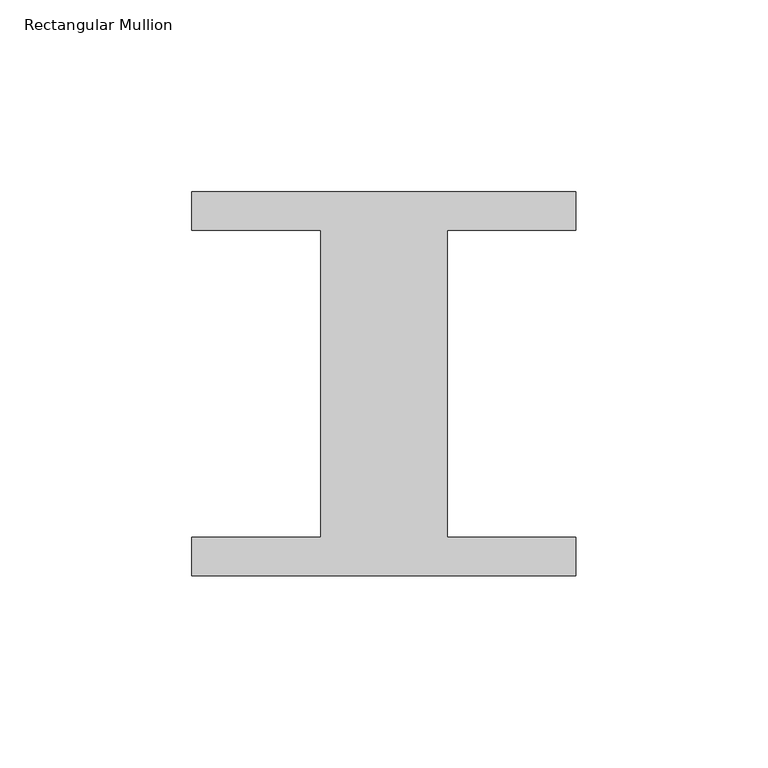
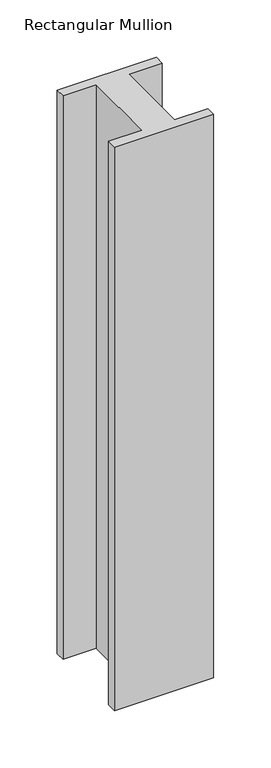
"""IFC4 building model written with IfcOpenShell, lengths in millimetres: member geometry, Rectangular Mullion."""

from ifc_helpers import new_model, si_unit, frame, origin, place, context, project, spatial, polyline, outline, extrude, source, transform, mapped, element, save


def rectangular_mullion_7d4d0a0d(model_context):
    return source(origin(), model_context, "Body", "SweptSolid", [
        extrude(outline(polyline([(-50.0, 50.0), (50.0, 50.0), (50.0, 40.0), (16.4715162, 40.0), (16.4715162, -40.0), (50.0, -40.0), (50.0, -50.0), (-50.0, -50.0), (-50.0, -40.0), (-16.4505098, -40.0), (-16.4505098, 40.0), (-50.0, 40.0), (-50.0, 50.0)])), frame((0.0, 0.0, -600.0), z_axis=(0.0, 0.0, 1.0), x_axis=(1.0, 0.0, 0.0)), (0.0, 0.0, 1.0), 600.0),
    ])


if __name__ == "__main__":
    model = new_model("IFC4")
    model_context = context("Model", 3, world=origin())
    ifc_project = project(units=[si_unit("LENGTHUNIT", "METRE", prefix="MILLI")], contexts=[model_context])
    site = spatial("IfcSite", under=ifc_project)
    building = spatial("IfcBuilding", under=site)
    placement = place(None, origin())
    rectangular_mullion_shape = rectangular_mullion_7d4d0a0d(model_context)
    element("IfcMember", 1, ObjectType="Rectangular Mullion", at=placement, inside=building, context=model_context, shape_type="MappedRepresentation", body=[
        mapped(rectangular_mullion_shape, transform((0.0, 0.0, 0.0), x_axis=(1.0, 0.0, 0.0), y_axis=(0.0, 1.0, 0.0), z_axis=(0.0, 0.0, 1.0))),
    ])
    save(model, "model.ifc")
